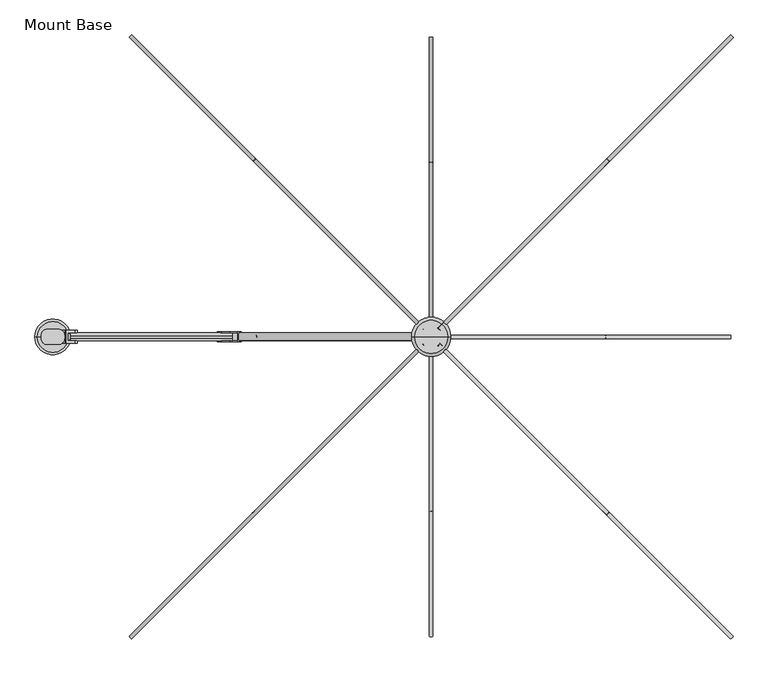
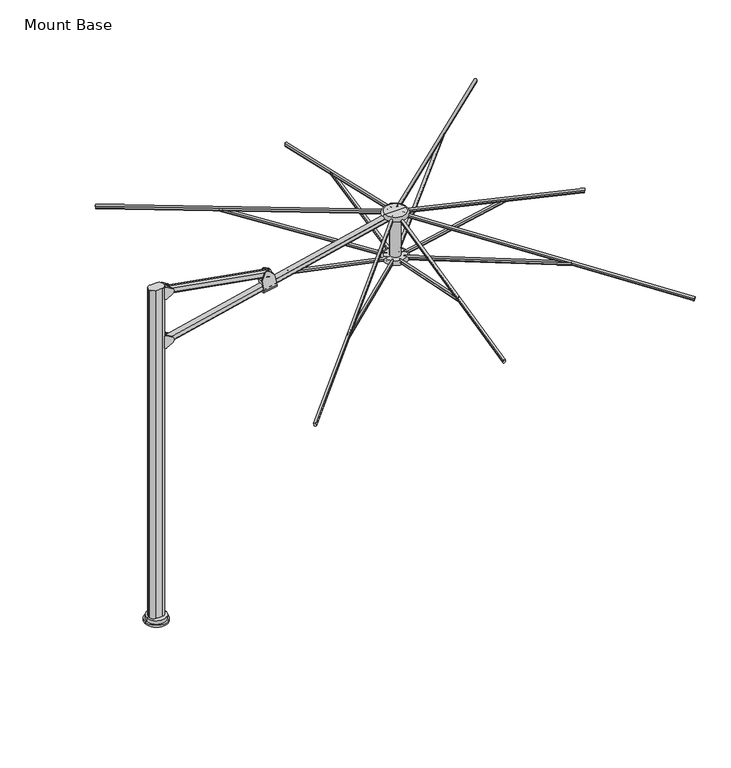
"""IFC4 building model written with IfcOpenShell, lengths in millimetres: furniture geometry, Mount Base."""

import ifcopenshell
import ifcopenshell.guid

model = None  # the IFC model being written
_history = None  # IfcOwnerHistory: only IFC2X3 demands one
_inside = {}  # id of a spatial element -> (the spatial element, [elements in it])
_under = {}  # id of a project, library or spatial element -> (it, [spatial elements below it])
_declared = {}  # id of a project -> (the project, [libraries it declares])
_typed = {}  # id of a type object -> (the type object, [elements of that type])
_made_of = {}  # id of a material, layer set ... -> (it, [elements and type objects made of it])


def new_model(schema):
    """Start an empty IFC model of exactly this schema.

    Asked for "IFC4X3", IfcOpenShell would pick the latest addendum, in which some entities
    have other attributes; the version numbers below select the first issue.
    IFC2X3 requires an IfcOwnerHistory on every rooted entity: one is made here for all.
    """
    global model, _history
    if schema == "IFC4X3":
        model = ifcopenshell.file(schema_version=(4, 3, 0, 0))
    else:
        model = ifcopenshell.file(schema=schema)
    _inside.clear()
    _under.clear()
    _declared.clear()
    _typed.clear()
    _made_of.clear()
    _history = None
    if model.schema == "IFC2X3":
        org = make("IfcOrganization", Name="unknown")
        user = make(
            "IfcPersonAndOrganization",
            ThePerson=make("IfcPerson", FamilyName="unknown"),
            TheOrganization=org,
        )
        app = make(
            "IfcApplication",
            ApplicationDeveloper=org,
            Version="unknown",
            ApplicationFullName="unknown",
            ApplicationIdentifier="unknown",
        )
        _history = make(
            "IfcOwnerHistory",
            OwningUser=user,
            OwningApplication=app,
            ChangeAction="ADDED",
            CreationDate=0,
        )
    return model


def make(cls, **values):
    """One entity of the class cls with the attributes given. An attribute that is None is left unset."""
    return model.create_entity(
        cls, **{name: value for name, value in values.items() if value is not None}
    )


def rooted(cls, **values):
    """An entity with a GlobalId (a new one), such as an element, a storey or a relation."""
    return make(cls, GlobalId=ifcopenshell.guid.new(), OwnerHistory=_history, **values)


def si_unit(unit_type, name, prefix=None):
    """IfcSIUnit, for example si_unit("LENGTHUNIT", "METRE", prefix="MILLI")."""
    return make("IfcSIUnit", UnitType=unit_type, Prefix=prefix, Name=name)


def assignment(units):
    """IfcUnitAssignment: the units of a project."""
    return None if units is None else make("IfcUnitAssignment", Units=units)


def point(xyz):
    """IfcCartesianPoint."""
    return None if xyz is None else make("IfcCartesianPoint", Coordinates=xyz)


def direction(xyz):
    """IfcDirection."""
    return None if xyz is None else make("IfcDirection", DirectionRatios=xyz)


def frame(location, z_axis=None, x_axis=None):
    """IfcAxis2Placement3D, a coordinate frame: its origin and axes. An axis left out is left unset."""
    return make(
        "IfcAxis2Placement3D",
        Location=point(location),
        Axis=direction(z_axis),
        RefDirection=direction(x_axis),
    )


def frame_2d(location, x_axis=None):
    """IfcAxis2Placement2D, a coordinate frame in the plane: its origin and x axis."""
    return make(
        "IfcAxis2Placement2D", Location=point(location), RefDirection=direction(x_axis)
    )


def origin():
    """The frame at (0, 0, 0) with its axes left unset."""
    return frame((0.0, 0.0, 0.0))


def place(relative_to, where):
    """IfcLocalPlacement: puts the frame where relative to a parent placement (None: the world)."""
    return make(
        "IfcLocalPlacement", PlacementRelTo=relative_to, RelativePlacement=where
    )


def context(
    kind, dimensions, precision=None, world=None, true_north=None, identifier=None
):
    """IfcGeometricRepresentationContext, for example the 3D "Model" context."""
    return make(
        "IfcGeometricRepresentationContext",
        ContextIdentifier=identifier,
        ContextType=kind,
        CoordinateSpaceDimension=dimensions,
        Precision=precision,
        WorldCoordinateSystem=world,
        TrueNorth=true_north,
    )


def project(units=None, contexts=None):
    """IfcProject with its units and contexts."""
    return rooted(
        "IfcProject",
        Name="project",
        RepresentationContexts=contexts,
        UnitsInContext=assignment(units),
    )


def spatial(cls, under=None, at=None, **own):
    """A site, building, storey or space (cls), placed at a placement, below another one or the project."""
    s = rooted(cls, ObjectPlacement=at, **own)
    if under is not None:
        _under.setdefault(under.id(), (under, []))[1].append(s)
    return s


def polyline(points):
    """IfcPolyline through the points."""
    return make("IfcPolyline", Points=[point(p) for p in points])


def circle_curve(where, radius):
    """IfcCircle in the frame where."""
    return make("IfcCircle", Position=where, Radius=radius)


def ellipse_curve(where, semi_axis1, semi_axis2):
    """IfcEllipse in the frame where."""
    return make(
        "IfcEllipse", Position=where, SemiAxis1=semi_axis1, SemiAxis2=semi_axis2
    )


def trimmed(basis, trim1, trim2, sense, master):
    """IfcTrimmedCurve: the piece of a basis curve between two trims."""
    return make(
        "IfcTrimmedCurve",
        BasisCurve=basis,
        Trim1=trim1,
        Trim2=trim2,
        SenseAgreement=sense,
        MasterRepresentation=master,
    )


def segment(curve, same_sense, transition):
    """IfcCompositeCurveSegment."""
    return make(
        "IfcCompositeCurveSegment",
        Transition=transition,
        SameSense=same_sense,
        ParentCurve=curve,
    )


def composite_curve(segments, self_intersect=None):
    """IfcCompositeCurve: segments joined end to end."""
    return make("IfcCompositeCurve", Segments=segments, SelfIntersect=self_intersect)


def outline(outer, holes=None, kind="AREA"):
    """IfcArbitraryClosedProfileDef: a profile drawn as a closed curve; with holes, ...WithVoids."""
    if holes is None:
        return make("IfcArbitraryClosedProfileDef", ProfileType=kind, OuterCurve=outer)
    return make(
        "IfcArbitraryProfileDefWithVoids",
        ProfileType=kind,
        OuterCurve=outer,
        InnerCurves=holes,
    )


def extrude(swept, where, along, depth):
    """IfcExtrudedAreaSolid: the profile swept, set in the frame where, extruded along a direction by depth."""
    return make(
        "IfcExtrudedAreaSolid",
        SweptArea=swept,
        Position=where,
        ExtrudedDirection=direction(along),
        Depth=depth,
    )


def shape(context_of_items, identifier, shape_type, items):
    """IfcShapeRepresentation: the items that make up one representation, for example the "Body"."""
    return make(
        "IfcShapeRepresentation",
        ContextOfItems=context_of_items,
        RepresentationIdentifier=identifier,
        RepresentationType=shape_type,
        Items=items,
    )


def source(mapping_origin, context_of_items, identifier, shape_type, items):
    """IfcRepresentationMap: a shape defined once, which mapped items show again and again."""
    return make(
        "IfcRepresentationMap",
        MappingOrigin=mapping_origin,
        MappedRepresentation=shape(context_of_items, identifier, shape_type, items),
    )


def transform(
    local_origin,
    x_axis=None,
    y_axis=None,
    z_axis=None,
    scale=None,
    scale2=None,
    scale3=None,
    uniform=True,
):
    """IfcCartesianTransformationOperator3D, or its non-uniform kind. x_axis, y_axis, z_axis: its Axis1, 2, 3."""
    if uniform:
        return make(
            "IfcCartesianTransformationOperator3D",
            Axis1=direction(x_axis),
            Axis2=direction(y_axis),
            LocalOrigin=point(local_origin),
            Scale=scale,
            Axis3=direction(z_axis),
        )
    return make(
        "IfcCartesianTransformationOperator3DnonUniform",
        Axis1=direction(x_axis),
        Axis2=direction(y_axis),
        LocalOrigin=point(local_origin),
        Scale=scale,
        Axis3=direction(z_axis),
        Scale2=scale2,
        Scale3=scale3,
    )


def mapped(mapping_source, mapping_target):
    """IfcMappedItem: shows the shape of a source again, moved by a transform."""
    return make(
        "IfcMappedItem", MappingSource=mapping_source, MappingTarget=mapping_target
    )


def made_of(thing, what):
    """Note that an element or type object is made of a material, layer set ...; save() writes the relation."""
    if what is not None:
        _made_of.setdefault(what.id(), (what, []))[1].append(thing)
    return thing


def element(
    cls,
    number,
    at=None,
    inside=None,
    cuts=None,
    type_object=None,
    material=None,
    context=None,
    identifier="Body",
    shape_type=None,
    held_by="IfcProductDefinitionShape",
    body=None,
    shapes=None,
    **own,
):
    """One element of the class cls, such as IfcWall. Its Tag is "e" and its number.

    at: its placement. inside: the storey or other place that contains it. cuts: it is an
    opening in that element (IfcRelVoidsElement). A single representation is given by context,
    identifier, shape_type and body (its items); several are given by shapes. held_by: the class
    of the entity that holds the representations. save() writes the other relations.
    """
    e = rooted(cls, Tag="e%d" % number, ObjectPlacement=at, **own)
    if body is not None:
        shapes = [shape(context, identifier, shape_type, body)]
    if shapes is not None:
        e.Representation = make(held_by, Representations=shapes)
    if inside is not None:
        _inside.setdefault(inside.id(), (inside, []))[1].append(e)
    if cuts is not None:
        rooted(
            "IfcRelVoidsElement", RelatingBuildingElement=cuts, RelatedOpeningElement=e
        )
    if type_object is not None:
        _typed.setdefault(type_object.id(), (type_object, []))[1].append(e)
    return made_of(e, material)


def aggregate(whole, parts):
    """IfcRelAggregates: a whole, such as a stair, and the parts it consists of."""
    return rooted("IfcRelAggregates", RelatingObject=whole, RelatedObjects=parts)


def save(model, path):
    """Write the relations noted so far, then the file.

    IfcRelAggregates (storeys below a building ...), IfcRelContainedInSpatialStructure (elements
    in a storey), IfcRelDefinesByType, IfcRelAssociatesMaterial and IfcRelDeclares: one each for
    every whole, place, type object, material and project.
    """
    for whole, parts in _under.values():
        aggregate(whole, parts)
    for where, things in _inside.values():
        rooted(
            "IfcRelContainedInSpatialStructure",
            RelatedElements=things,
            RelatingStructure=where,
        )
    for kind, things in _typed.values():
        rooted("IfcRelDefinesByType", RelatedObjects=things, RelatingType=kind)
    for what, things in _made_of.values():
        rooted("IfcRelAssociatesMaterial", RelatedObjects=things, RelatingMaterial=what)
    for by, libraries in _declared.values():
        rooted("IfcRelDeclares", RelatingContext=by, RelatedDefinitions=libraries)
    model.write(path)


def plane_surface(at):
    """IfcPlane: the flat surface through the origin of the frame at, square to its z axis."""
    return make("IfcPlane", Position=at)


def cylinder_surface(at, radius):
    """IfcCylindricalSurface: all points at the distance radius from the z axis of the frame at."""
    return make("IfcCylindricalSurface", Position=at, Radius=radius)


def revolved_surface(curve, axis_point, axis_direction):
    """IfcSurfaceOfRevolution: the curve turned about the line through axis_point along axis_direction."""
    return make(
        "IfcSurfaceOfRevolution",
        SweptCurve=make("IfcArbitraryOpenProfileDef", ProfileType="CURVE", Curve=curve),
        AxisPosition=make("IfcAxis1Placement", Location=point(axis_point), Axis=direction(axis_direction)),
    )


def advanced_brep(points, edges, surfaces, faces):
    """IfcAdvancedBrep: a solid bounded by faces that lie on surfaces and meet in shared edges.

    An edge is (start, end): straight between two places in points (the first is 0);
    or (start, end, curve); or (start, end, curve, False) where it runs against its curve.
    A face is (place in surfaces, loops), or (place, loops, False) where it looks against
    its surface's normal. A loop lists edges by number (the first is 1), with a minus sign
    where the edge is run from its end to its start. The first loop is the outer one.
    """
    corners = [point(p) for p in points]
    vertices = [make("IfcVertexPoint", VertexGeometry=c) for c in corners]
    made = []
    for start, end, *more in edges:
        made.append(
            make(
                "IfcEdgeCurve",
                EdgeStart=vertices[start],
                EdgeEnd=vertices[end],
                EdgeGeometry=more[0] if more else make("IfcPolyline", Points=[corners[start], corners[end]]),
                SameSense=more[1] if len(more) > 1 else True,
            )
        )
    hull = []
    for where, loops, *sense in faces:
        bounds = []
        for j, loop in enumerate(loops):
            ring = [make("IfcOrientedEdge", EdgeElement=made[abs(k) - 1], Orientation=k > 0) for k in loop]
            bounds.append(
                make(
                    "IfcFaceOuterBound" if j == 0 else "IfcFaceBound",
                    Bound=make("IfcEdgeLoop", EdgeList=ring),
                    Orientation=True,
                )
            )
        hull.append(make("IfcAdvancedFace", Bounds=bounds, FaceSurface=surfaces[where], SameSense=sense[0] if sense else True))
    return make("IfcAdvancedBrep", Outer=make("IfcClosedShell", CfsFaces=hull))


def mount_base_3c670f91(model_context):
    return source(origin(), model_context, "Body", "SolidModel", [
        extrude(outline(composite_curve([segment(polyline([(-1446.5300194, -42.1299408), (-1499.8699806, -42.1299408)]), True, "CONTINUOUS"), segment(trimmed(circle_curve(frame_2d((-1499.8699806, -10.3799408)), 31.75), [point((-1499.8699806, -42.1299408))], [point((-1531.6199806, -10.3799408))], False, "CARTESIAN"), True, "CONTINUOUS"), segment(polyline([(-1531.6199806, -10.3799408), (-1531.6199806, 2.3200592)]), True, "CONTINUOUS"), segment(trimmed(circle_curve(frame_2d((-1499.8699806, 2.3200592)), 31.75), [point((-1531.6199806, 2.3200592))], [point((-1499.8699806, 34.0700592))], False, "CARTESIAN"), True, "CONTINUOUS"), segment(polyline([(-1499.8699806, 34.0700592), (-1446.5300194, 34.0700592)]), True, "CONTINUOUS"), segment(trimmed(circle_curve(frame_2d((-1446.5300194, 2.3200592)), 31.75), [point((-1446.5300194, 34.0700592))], [point((-1414.7800194, 2.3200592))], False, "CARTESIAN"), True, "CONTINUOUS"), segment(polyline([(-1414.7800194, 2.3200592), (-1414.7800194, -10.3799408)]), True, "CONTINUOUS"), segment(trimmed(circle_curve(frame_2d((-1446.5300194, -10.3799408)), 31.75), [point((-1414.7800194, -10.3799408))], [point((-1446.5300194, -42.1299408))], False, "CARTESIAN"), True, "CONTINUOUS")], self_intersect=False)), frame((0.0, 0.0, 25.4), z_axis=(0.0, 0.0, 1.0), x_axis=(1.0, 0.0, 0.0)), (0.0, 0.0, 1.0), 2743.2),
        advanced_brep(
        [(-1562.1, -4.0299408, 15.8750008), (-1384.3, -4.0299408, 15.8750008), (-1384.3, -4.0299408, 0.0), (-1562.1, -4.0299408, 0.0), (-1549.4, -4.0299408, 15.8750008), (-1397.0, -4.0299408, 15.8750008), (-1549.4, -4.0299408, 43.8150008), (-1397.0, -4.0299408, 43.8150008), (-1473.2, -4.0299408, 43.8150008), (-1473.2, -4.0299408, 0.0)],
        [
            (0, 1, circle_curve(frame((-1473.2, -4.0299408, 15.8750008), z_axis=(0.0, 0.0, -1.0), x_axis=(1.0, 0.0, 0.0)), 88.9)),
            (1, 2),
            (2, 3, circle_curve(frame((-1473.2, -4.0299408, 0.0), z_axis=(0.0, 0.0, 1.0), x_axis=(1.0, 0.0, 0.0)), 88.9)),
            (3, 0),
            (1, 0, circle_curve(frame((-1473.2, -4.0299408, 15.8750008), z_axis=(0.0, 0.0, -1.0), x_axis=(1.0, 0.0, 0.0)), 88.9)),
            (3, 2, circle_curve(frame((-1473.2, -4.0299408, 0.0), z_axis=(0.0, 0.0, 1.0), x_axis=(1.0, 0.0, 0.0)), 88.9)),
            (4, 5, circle_curve(frame((-1473.2, -4.0299408, 15.8750008), z_axis=(0.0, 0.0, -1.0), x_axis=(1.0, 0.0, 0.0)), 76.2)),
            (5, 1),
            (0, 4),
            (5, 4, circle_curve(frame((-1473.2, -4.0299408, 15.8750008), z_axis=(0.0, 0.0, -1.0), x_axis=(1.0, 0.0, 0.0)), 76.2)),
            (6, 7, circle_curve(frame((-1473.2, -4.0299408, 43.8150008), z_axis=(0.0, 0.0, -1.0), x_axis=(1.0, 0.0, 0.0)), 76.2)),
            (7, 5),
            (4, 6),
            (7, 6, circle_curve(frame((-1473.2, -4.0299408, 43.8150008), z_axis=(0.0, 0.0, -1.0), x_axis=(1.0, 0.0, 0.0)), 76.2)),
            (8, 7),
            (6, 8),
            (2, 9),
            (9, 3),
        ],
        [
            cylinder_surface(frame((-1473.2, -4.0299408, 161.9250008), z_axis=(0.0, 0.0, 1.0), x_axis=(1.0, 0.0, 0.0)), 88.9),
            plane_surface(frame((-1473.2, -4.0299408, 15.8750008), z_axis=(0.0, 0.0, 1.0), x_axis=(1.0, 0.0, 0.0))),
            cylinder_surface(frame((-1473.2, -4.0299408, 161.9250008), z_axis=(0.0, 0.0, 1.0), x_axis=(1.0, 0.0, 0.0)), 76.2),
            plane_surface(frame((-1473.2, -4.0299408, 43.8150008), z_axis=(0.0, 0.0, 1.0), x_axis=(1.0, 0.0, 0.0))),
            plane_surface(frame((-1473.2, -4.0299408, 0.0), z_axis=(0.0, 0.0, -1.0), x_axis=(1.0, 0.0, 0.0))),
        ],
        [
            (0, [[1, 2, 3, 4]]),
            (0, [[5, -4, 6, -2]]),
            (1, [[7, 8, -1, 9]]),
            (1, [[10, -9, -5, -8]]),
            (2, [[11, 12, -7, 13]]),
            (2, [[14, -13, -10, -12]]),
            (3, [[15, -11, 16]]),
            (3, [[-16, -14, -15]]),
            (4, [[-3, 17, 18]]),
            (4, [[-6, -18, -17]]),
        ],
    ),
        advanced_brep(
        [(-638.8317232, -28.8584398, 2452.539431), (-539.2550393, -28.8584398, 2472.7210111), (-557.1147391, -28.8584398, 2562.8261396), (-594.9132103, -28.8584398, 2602.8681925), (-637.1082851, -28.8584398, 2594.5048149), (-656.7758688, -28.8584398, 2543.0725626), (-556.9273215, -23.0799408, 2561.8805867), (-656.5036375, -23.0799408, 2541.6990811), (-656.7758688, -23.0799408, 2543.0725626), (-637.1082851, -23.0799408, 2594.5048149), (-594.9132103, -23.0799408, 2602.8681925), (-557.1147391, -23.0799408, 2562.8261396), (-556.9273215, 15.0200592, 2561.8805867), (-656.5036375, 15.0200592, 2541.6990811), (-557.1147391, 15.0200592, 2562.8261396), (-594.9132103, 15.0200592, 2602.8681925), (-637.1082851, 15.0200592, 2594.5048149), (-656.7758688, 15.0200592, 2543.0725626), (-539.2550393, 20.7985582, 2472.7210111), (-638.8317232, 20.7985582, 2452.539431), (-656.7758688, 20.7985582, 2543.0725626), (-637.1082851, 20.7985582, 2594.5048149), (-594.9132103, 20.7985582, 2602.8681925), (-557.1147391, 20.7985582, 2562.8261396)],
        [
            (0, 1),
            (1, 2),
            (2, 3),
            (3, 4, circle_curve(frame((-613.3837241, -28.8584398, 2585.4325933), z_axis=(0.0, -1.0, 0.0), x_axis=(1.0, 0.0, 0.0)), 25.4)),
            (4, 5),
            (5, 0),
            (6, 7),
            (7, 8),
            (8, 9),
            (9, 10, circle_curve(frame((-613.3837241, -23.0799408, 2585.4325933), z_axis=(0.0, 1.0, 0.0), x_axis=(1.0, 0.0, 0.0)), 25.4)),
            (10, 11),
            (11, 6),
            (6, 12),
            (12, 13),
            (13, 7),
            (12, 14),
            (14, 15),
            (15, 16, circle_curve(frame((-613.3837241, 15.0200592, 2585.4325933), z_axis=(0.0, -1.0, 0.0), x_axis=(1.0, 0.0, 0.0)), 25.4)),
            (16, 17),
            (17, 13),
            (18, 19),
            (19, 20),
            (20, 21),
            (21, 22, circle_curve(frame((-613.3837241, 20.7985582, 2585.4325933), z_axis=(0.0, 1.0, 0.0), x_axis=(1.0, 0.0, 0.0)), 25.4)),
            (22, 23),
            (23, 18),
            (8, 5),
            (4, 9),
            (20, 17),
            (16, 21),
            (3, 10),
            (15, 22),
            (2, 11),
            (14, 23),
            (1, 18, ellipse_curve(frame((-539.2550393, -4.0299408, 2472.7210111), z_axis=(0.9809169623175261, 0.0, 0.19442714069223216), x_axis=(0.19442714069222775, -2.2532502934053907e-12, -0.980916962317527)), 24.8287277, 24.828499)),
            (19, 0, ellipse_curve(frame((-638.8317232, -4.0299408, 2452.539431), z_axis=(-0.9809177651054216, 0.0, -0.19442309045117312), x_axis=(0.1944230904512047, -2.251037628429089e-12, -0.9809177651054153)), 24.8287281, 24.828499)),
        ],
        [
            plane_surface(frame((-656.823572, -28.8584398, 2448.8929555), z_axis=(0.0, -1.0000000000000002, 0.0), x_axis=(0.9800735011186607, 0.0, 0.19863517413844614))),
            plane_surface(frame((-688.7528402, -23.0799408, 2606.4331791), z_axis=(0.0, 1.0000000000000002, 0.0), x_axis=(0.9800735011186607, 0.0, 0.19863517413844614))),
            plane_surface(frame((-674.8781733, -23.0799408, 2537.975045), z_axis=(-0.19863517413844614, 0.0, 0.9800735011186607), x_axis=(0.9800735011186607, 0.0, 0.19863517413844614))),
            plane_surface(frame((-674.8781733, 15.0200592, 2537.975045), z_axis=(0.0, -1.0000000000000002, 0.0), x_axis=(0.9800735011186607, 0.0, 0.19863517413844614))),
            plane_surface(frame((-688.8424073, 20.7985582, 2606.8751066), z_axis=(0.0, 1.0000000000000002, 0.0), x_axis=(0.9800735011186607, 0.0, 0.19863517413844614))),
            plane_surface(frame((-656.7758688, -42.1299408, 2543.0725626), z_axis=(-0.934037835454624, 0.0, 0.35717407792173367), x_axis=(0.0, 1.0, 0.0))),
            cylinder_surface(frame((-613.3837241, 34.0700592, 2585.4325933), z_axis=(0.0, 1.0, 0.0), x_axis=(1.0, 0.0, 0.0)), 25.4),
            plane_surface(frame((-594.9132103, -42.1299408, 2602.8681925), z_axis=(0.7271855840513565, 0.0, 0.6864409124956697), x_axis=(0.0, 1.0, 0.0))),
            plane_surface(frame((-557.1147391, -42.1299408, 2562.8261396), z_axis=(0.9809169623175261, 0.0, 0.19442714069223216), x_axis=(0.0, 1.0, 0.0))),
            plane_surface(frame((-615.4340122, -42.1299408, 2334.4915679), z_axis=(-0.9809177651054216, 0.0, -0.19442309045117312), x_axis=(0.0, 1.0, 0.0))),
            cylinder_surface(frame((-523.693599, -4.0299408, 2475.8749066), z_axis=(-0.9800735011186607, 0.0, -0.19863517413844567), x_axis=(0.19863517413844567, 0.0, -0.9800735011186607)), 24.828499),
        ],
        [
            (0, [[1, 2, 3, 4, 5, 6]]),
            (1, [[7, 8, 9, 10, 11, 12]]),
            (2, [[-7, 13, 14, 15]]),
            (3, [[-14, 16, 17, 18, 19, 20]]),
            (4, [[21, 22, 23, 24, 25, 26]]),
            (5, [[27, -5, 28, -9]]),
            (5, [[29, -19, 30, -23]]),
            (6, [[-28, -4, 31, -10]]),
            (6, [[-30, -18, 32, -24]]),
            (7, [[-31, -3, 33, -11]]),
            (7, [[-32, -17, 34, -25]]),
            (8, [[-33, -2, 35, -26, -34, -16, -13, -12]]),
            (9, [[-27, -8, -15, -20, -29, -22, 36, -6]]),
            (10, [[-1, -36, -21, -35]]),
        ],
    ),
        advanced_brep(
        [(-1398.5468048, -23.0799408, 2670.4960641), (-1398.5468048, -23.0799408, 2756.7219863), (-1365.0592091, -23.0799408, 2735.6843884), (-1365.0592091, -23.0799408, 2691.533662), (-1398.5468048, 15.0200592, 2670.4960641), (-1398.5468048, 15.0200592, 2756.7219863), (-1365.0592091, 15.0200592, 2691.533662), (-1365.0592091, 15.0200592, 2735.6843884), (-1412.4977231, 28.7360598, 2764.4089767), (-1409.330907, 28.7360598, 2763.4967816), (-1365.0592091, 28.7360598, 2735.6843884), (-1365.0592091, 28.7360598, 2691.533662), (-1409.330907, 28.7360598, 2663.7212688), (-1412.4977231, 28.7360598, 2662.8090736), (-1428.8306637, 28.7360598, 2662.8090736), (-1428.8306637, 28.7360598, 2764.4089767), (-1428.8306637, 28.0356115, 2662.8090736), (-1428.8306637, -36.0954368, 2662.8090736), (-1428.8306637, -36.0954368, 2764.4089767), (-1428.8306637, 28.0356115, 2764.4089767), (-1409.330907, -36.7959413, 2763.4967816), (-1412.4977231, -36.7959413, 2764.4089767), (-1428.8306637, -36.7959413, 2764.4089767), (-1428.8306637, -36.7959413, 2662.8090736), (-1412.4977231, -36.7959413, 2662.8090736), (-1409.330907, -36.7959413, 2663.7212688), (-1365.0592091, -36.7959413, 2691.533662), (-1365.0592091, -36.7959413, 2735.6843884)],
        [
            (0, 1),
            (1, 2),
            (2, 3, circle_curve(frame((-1378.9274073, -23.0799408, 2713.6090252), z_axis=(0.0, 1.0, 0.0), x_axis=(1.0, 0.0, 0.0)), 26.0700706)),
            (3, 0),
            (0, 4),
            (4, 5),
            (5, 1),
            (4, 6),
            (6, 7, circle_curve(frame((-1378.9274073, 15.0200592, 2713.6090252), z_axis=(0.0, -1.0, 0.0), x_axis=(1.0, 0.0, 0.0)), 26.0700706)),
            (7, 5),
            (8, 9, circle_curve(frame((-1412.4977231, 28.7360598, 2758.4558517), z_axis=(0.0, 1.0, 0.0), x_axis=(1.0, 0.0, 0.0)), 5.953125)),
            (9, 10),
            (10, 11, circle_curve(frame((-1378.9274073, 28.7360598, 2713.6090252), z_axis=(0.0, 1.0, 0.0), x_axis=(1.0, 0.0, 0.0)), 26.0700706)),
            (11, 12),
            (12, 13, circle_curve(frame((-1412.4977231, 28.7360598, 2668.7621986), z_axis=(0.0, 1.0, 0.0), x_axis=(1.0, 0.0, 0.0)), 5.953125)),
            (13, 14),
            (14, 15),
            (15, 8),
            (16, 17, circle_curve(frame((-1456.6790796, -4.0299127, 2662.8090736), z_axis=(0.0, 0.0, -1.0), x_axis=(1.0, 0.0, 0.0)), 42.4703674)),
            (17, 18),
            (18, 19, circle_curve(frame((-1456.6790796, -4.0299127, 2764.4089767), z_axis=(0.0, 0.0, 1.0), x_axis=(1.0, 0.0, 0.0)), 42.4703674)),
            (19, 16),
            (20, 21, circle_curve(frame((-1412.4977231, -36.7959413, 2758.4558517), z_axis=(0.0, -1.0, 0.0), x_axis=(1.0, 0.0, 0.0)), 5.953125)),
            (21, 22),
            (22, 23),
            (23, 24),
            (24, 25, circle_curve(frame((-1412.4977231, -36.7959413, 2668.7621986), z_axis=(0.0, -1.0, 0.0), x_axis=(1.0, 0.0, 0.0)), 5.953125)),
            (25, 26),
            (26, 27, circle_curve(frame((-1378.9274073, -36.7959413, 2713.6090252), z_axis=(0.0, -1.0, 0.0), x_axis=(1.0, 0.0, 0.0)), 26.0700706)),
            (27, 20),
            (8, 21),
            (20, 9),
            (27, 2),
            (7, 10),
            (26, 3),
            (6, 11),
            (25, 12),
            (24, 13),
            (23, 17),
            (16, 14),
            (22, 18),
            (19, 15),
        ],
        [
            plane_surface(frame((-1352.2714317, -23.0799408, 2768.6), z_axis=(0.0, 1.0, 0.0), x_axis=(0.0, 0.0, -1.0))),
            plane_surface(frame((-1398.5468048, -23.0799408, 2768.6), z_axis=(1.0, 0.0, 0.0), x_axis=(0.0, 0.0, -1.0))),
            plane_surface(frame((-1398.5468048, 15.0200592, 2768.6), z_axis=(0.0, -1.0, 0.0), x_axis=(0.0, 0.0, -1.0))),
            plane_surface(frame((-1352.2714317, 28.7360598, 2768.6), z_axis=(0.0, 1.0, 0.0), x_axis=(0.0, 0.0, -1.0))),
            revolved_surface(polyline([(-1414.2087122, -4.0299127, 2662.8090736), (-1414.2087122, -4.0299127, 2764.4089767)]), (-1456.6790796, -4.0299127, 2235.2), (0.0, 0.0, -1.0)),
            plane_surface(frame((-1429.6583566, -36.7959413, 2768.6), z_axis=(0.0, -1.0, 0.0), x_axis=(0.0, 0.0, -1.0))),
            cylinder_surface(frame((-1412.4977231, 72.1700592, 2758.4558517), z_axis=(0.0, 1.0, 0.0), x_axis=(1.0, 0.0, 0.0)), 5.953125),
            plane_surface(frame((-1409.330907, -80.2299408, 2763.4967816), z_axis=(0.5319585969039498, 0.0, 0.8467703650813372), x_axis=(0.0, 1.0, 0.0))),
            cylinder_surface(frame((-1378.9274073, 72.1700592, 2713.6090252), z_axis=(0.0, 1.0, 0.0), x_axis=(1.0, 0.0, 0.0)), 26.0700706),
            plane_surface(frame((-1365.0592091, -80.2299408, 2691.533662), z_axis=(0.5319585969039639, 0.0, -0.8467703650813284), x_axis=(0.0, 1.0, 0.0))),
            cylinder_surface(frame((-1412.4977231, 72.1700592, 2668.7621986), z_axis=(0.0, 1.0, 0.0), x_axis=(1.0, 0.0, 0.0)), 5.953125),
            plane_surface(frame((-1412.4977231, -80.2299408, 2662.8090736), z_axis=(0.0, 0.0, -1.0), x_axis=(0.0, 1.0, 0.0))),
            plane_surface(frame((-1428.8306637, -80.2299408, 2662.8090736), z_axis=(-1.0, 0.0, 0.0), x_axis=(0.0, 1.0, 0.0))),
            plane_surface(frame((-1428.8306637, -80.2299408, 2764.4089767), z_axis=(0.0, 0.0, 1.0), x_axis=(0.0, 1.0, 0.0))),
        ],
        [
            (0, [[1, 2, 3, 4]]),
            (1, [[-1, 5, 6, 7]]),
            (2, [[-6, 8, 9, 10]]),
            (3, [[11, 12, 13, 14, 15, 16, 17, 18]]),
            (4, [[19, 20, 21, 22]]),
            (5, [[23, 24, 25, 26, 27, 28, 29, 30]]),
            (6, [[31, -23, 32, -11]]),
            (7, [[-32, -30, 33, -2, -7, -10, 34, -12]]),
            (8, [[-33, -29, 35, -3]]),
            (8, [[-34, -9, 36, -13]]),
            (9, [[-36, -8, -5, -4, -35, -28, 37, -14]]),
            (10, [[-37, -27, 38, -15]]),
            (11, [[-38, -26, 39, -19, 40, -16]]),
            (12, [[-39, -25, 41, -20]]),
            (12, [[-40, -22, 42, -17]]),
            (13, [[-31, -18, -42, -21, -41, -24]]),
        ],
    ),
        advanced_brep(
        [(-1398.5468048, -23.0799408, 2265.4099374), (-1398.5468048, -23.0799408, 2351.6358596), (-1364.8153055, -23.0799408, 2330.4450365), (-1364.8153055, -23.0799408, 2286.6007605), (-1398.5468048, 15.0200592, 2265.4099374), (-1398.5468048, 15.0200592, 2351.6358596), (-1364.8153055, 15.0200592, 2286.6007605), (-1364.8153055, 15.0200592, 2330.4450365), (-1412.4977231, 28.7360598, 2359.32285), (-1409.330907, 28.7360598, 2358.4106549), (-1364.8153055, 28.7360598, 2330.4450365), (-1364.8153055, 28.7360598, 2286.6007605), (-1409.330907, 28.7360598, 2258.6351421), (-1412.4977231, 28.7360598, 2257.7229469), (-1428.4344669, 28.7360598, 2257.7229469), (-1428.4344669, 28.7360598, 2359.32285), (-1428.4344669, 27.6871799, 2257.7229469), (-1428.4344669, -35.7470053, 2257.7229469), (-1428.4344669, -35.7470053, 2359.32285), (-1428.4344669, 27.6871799, 2359.32285), (-1409.330907, -36.7959413, 2358.4106549), (-1412.4977231, -36.7959413, 2359.32285), (-1428.4344669, -36.7959413, 2359.32285), (-1428.4344669, -36.7959413, 2257.7229469), (-1412.4977231, -36.7959413, 2257.7229469), (-1409.330907, -36.7959413, 2258.6351421), (-1364.8153055, -36.7959413, 2286.6007605), (-1364.8153055, -36.7959413, 2330.4450365)],
        [
            (0, 1),
            (1, 2),
            (2, 3, circle_curve(frame((-1378.5872445, -23.0799408, 2308.5228985), z_axis=(0.0, 1.0, 0.0), x_axis=(1.0, 0.0, 0.0)), 25.8891181)),
            (3, 0),
            (0, 4),
            (4, 5),
            (5, 1),
            (4, 6),
            (6, 7, circle_curve(frame((-1378.5872445, 15.0200592, 2308.5228985), z_axis=(0.0, -1.0, 0.0), x_axis=(1.0, 0.0, 0.0)), 25.8891181)),
            (7, 5),
            (8, 9, circle_curve(frame((-1412.4977231, 28.7360598, 2353.369725), z_axis=(0.0, 1.0, 0.0), x_axis=(1.0, 0.0, 0.0)), 5.953125)),
            (9, 10),
            (10, 11, circle_curve(frame((-1378.5872445, 28.7360598, 2308.5228985), z_axis=(0.0, 1.0, 0.0), x_axis=(1.0, 0.0, 0.0)), 25.8891181)),
            (11, 12),
            (12, 13, circle_curve(frame((-1412.4977231, 28.7360598, 2263.6760719), z_axis=(0.0, 1.0, 0.0), x_axis=(1.0, 0.0, 0.0)), 5.953125)),
            (13, 14),
            (14, 15),
            (15, 8),
            (16, 17, circle_curve(frame((-1456.6790796, -4.0299127, 2257.7229469), z_axis=(0.0, 0.0, -1.0), x_axis=(1.0, 0.0, 0.0)), 42.4703674)),
            (17, 18),
            (18, 19, circle_curve(frame((-1456.6790796, -4.0299127, 2359.32285), z_axis=(0.0, 0.0, 1.0), x_axis=(1.0, 0.0, 0.0)), 42.4703674)),
            (19, 16),
            (20, 21, circle_curve(frame((-1412.4977231, -36.7959413, 2353.369725), z_axis=(0.0, -1.0, 0.0), x_axis=(1.0, 0.0, 0.0)), 5.953125)),
            (21, 22),
            (22, 23),
            (23, 24),
            (24, 25, circle_curve(frame((-1412.4977231, -36.7959413, 2263.6760719), z_axis=(0.0, -1.0, 0.0), x_axis=(1.0, 0.0, 0.0)), 5.953125)),
            (25, 26),
            (26, 27, circle_curve(frame((-1378.5872445, -36.7959413, 2308.5228985), z_axis=(0.0, -1.0, 0.0), x_axis=(1.0, 0.0, 0.0)), 25.8891181)),
            (27, 20),
            (8, 21),
            (20, 9),
            (27, 2),
            (7, 10),
            (26, 3),
            (6, 11),
            (25, 12),
            (24, 13),
            (23, 17),
            (16, 14),
            (22, 18),
            (19, 15),
        ],
        [
            plane_surface(frame((-1352.2714317, -23.0799408, 2768.6), z_axis=(0.0, 1.0, 0.0), x_axis=(0.0, 0.0, -1.0))),
            plane_surface(frame((-1398.5468048, -23.0799408, 2768.6), z_axis=(1.0, 0.0, 0.0), x_axis=(0.0, 0.0, -1.0))),
            plane_surface(frame((-1398.5468048, 15.0200592, 2768.6), z_axis=(0.0, -1.0, 0.0), x_axis=(0.0, 0.0, -1.0))),
            plane_surface(frame((-1352.2714317, 28.7360598, 2768.6), z_axis=(0.0, 1.0, 0.0), x_axis=(0.0, 0.0, -1.0))),
            revolved_surface(polyline([(-1414.2087122, -4.0299127, 2257.7229469), (-1414.2087122, -4.0299127, 2359.32285)]), (-1456.6790796, -4.0299127, 2235.2), (0.0, 0.0, -1.0)),
            plane_surface(frame((-1429.6583566, -36.7959413, 2768.6), z_axis=(0.0, -1.0, 0.0), x_axis=(0.0, 0.0, -1.0))),
            cylinder_surface(frame((-1412.4977231, -4.0299408, 2353.369725), z_axis=(0.0, 1.0, 0.0), x_axis=(1.0, 0.0, 0.0)), 5.953125),
            plane_surface(frame((-1409.330907, -80.2299408, 2358.4106549), z_axis=(0.5319585969039494, 0.0, 0.8467703650813374), x_axis=(0.0, 1.0, 0.0))),
            cylinder_surface(frame((-1378.5872445, -4.0299408, 2308.5228985), z_axis=(0.0, 1.0, 0.0), x_axis=(1.0, 0.0, 0.0)), 25.8891181),
            plane_surface(frame((-1364.8153055, -80.2299408, 2286.6007605), z_axis=(0.5319585969039472, 0.0, -0.8467703650813388), x_axis=(0.0, 1.0, 0.0))),
            cylinder_surface(frame((-1412.4977231, -4.0299408, 2263.6760719), z_axis=(0.0, 1.0, 0.0), x_axis=(1.0, 0.0, 0.0)), 5.953125),
            plane_surface(frame((-1412.4977231, -80.2299408, 2257.7229469), z_axis=(0.0, 0.0, -1.0), x_axis=(0.0, 1.0, 0.0))),
            plane_surface(frame((-1428.4344669, -80.2299408, 2257.7229469), z_axis=(-1.0, 0.0, 0.0), x_axis=(0.0, 1.0, 0.0))),
            plane_surface(frame((-1428.4344669, -80.2299408, 2359.32285), z_axis=(0.0, 0.0, 1.0), x_axis=(0.0, 1.0, 0.0))),
        ],
        [
            (0, [[1, 2, 3, 4]]),
            (1, [[-1, 5, 6, 7]]),
            (2, [[-6, 8, 9, 10]]),
            (3, [[11, 12, 13, 14, 15, 16, 17, 18]]),
            (4, [[19, 20, 21, 22]]),
            (5, [[23, 24, 25, 26, 27, 28, 29, 30]]),
            (6, [[31, -23, 32, -11]]),
            (7, [[-32, -30, 33, -2, -7, -10, 34, -12]]),
            (8, [[-33, -29, 35, -3]]),
            (8, [[-34, -9, 36, -13]]),
            (9, [[-36, -8, -5, -4, -35, -28, 37, -14]]),
            (10, [[-37, -27, 38, -15]]),
            (11, [[-38, -26, 39, -19, 40, -16]]),
            (12, [[-39, -25, 41, -20]]),
            (12, [[-40, -22, 42, -17]]),
            (13, [[-31, -18, -42, -21, -41, -24]]),
        ],
    ),
        extrude(outline(composite_curve([segment(trimmed(circle_curve(frame_2d((6.35, 12.6998842)), 12.7), [point((19.05, 12.6998842))], [point((6.35, -0.0001159))], False, "CARTESIAN"), True, "CONTINUOUS"), segment(polyline([(6.35, -0.0001159), (-6.35, -0.0001159)]), True, "CONTINUOUS"), segment(trimmed(circle_curve(frame_2d((-6.35, 12.6998842)), 12.7), [point((-6.35, -0.0001159))], [point((-19.05, 12.6998842))], False, "CARTESIAN"), True, "CONTINUOUS"), segment(polyline([(-19.05, 12.6998842), (-19.05, 45.719986)]), True, "CONTINUOUS"), segment(trimmed(circle_curve(frame_2d((-6.35, 45.719986)), 12.7), [point((-19.05, 45.719986))], [point((-6.35, 58.419986))], False, "CARTESIAN"), True, "CONTINUOUS"), segment(polyline([(-6.35, 58.419986), (6.35, 58.419986)]), True, "CONTINUOUS"), segment(trimmed(circle_curve(frame_2d((6.35, 45.719986)), 12.7), [point((6.35, 58.419986))], [point((19.05, 45.719986))], False, "CARTESIAN"), True, "CONTINUOUS"), segment(polyline([(19.05, 45.719986), (19.05, 12.6998842)]), True, "CONTINUOUS")], self_intersect=False)), frame((-590.7331768, -4.0299408, 2546.711412), z_axis=(-0.9848937860603193, 0.0, 0.17315955122305554), x_axis=(0.0, -1.0, 0.0)), (0.0, 0.0, 1.0), 819.15),
        advanced_brep(
        [(324.3580228, -4.0299408, 2349.5), (488.4419772, -4.0299408, 2349.5), (406.4, -4.0299408, 2349.5), (406.4, -4.0299408, 2381.25), (488.4419772, -4.0299408, 2381.25), (324.3580228, -4.0299408, 2381.25)],
        [
            (0, 1, circle_curve(frame((406.4, -4.0299408, 2349.5), z_axis=(0.0, 0.0, -1.0), x_axis=(1.0, 0.0, 0.0)), 82.0419772)),
            (1, 2),
            (2, 0),
            (1, 0, circle_curve(frame((406.4, -4.0299408, 2349.5), z_axis=(0.0, 0.0, -1.0), x_axis=(1.0, 0.0, 0.0)), 82.0419772)),
            (3, 4),
            (4, 5, circle_curve(frame((406.4, -4.0299408, 2381.25), z_axis=(0.0, 0.0, 1.0), x_axis=(1.0, 0.0, 0.0)), 82.0419772)),
            (5, 3),
            (5, 4, circle_curve(frame((406.4, -4.0299408, 2381.25), z_axis=(0.0, 0.0, 1.0), x_axis=(1.0, 0.0, 0.0)), 82.0419772)),
            (4, 1, circle_curve(frame((488.4419772, -4.0299408, 2365.375), z_axis=(0.0, 1.0, 0.0), x_axis=(1.0, 0.0, 0.0)), 15.875)),
            (0, 5, circle_curve(frame((324.3580228, -4.0299408, 2365.375), z_axis=(0.0, 1.0, 0.0), x_axis=(-1.0, 0.0, 0.0)), 15.875)),
        ],
        [
            plane_surface(frame((406.4, -4.0299408, 2349.5), z_axis=(0.0, 0.0, -1.0), x_axis=(1.0, 0.0, 0.0))),
            plane_surface(frame((406.4, -4.0299408, 2381.25), z_axis=(0.0, 0.0, 1.0), x_axis=(1.0, 0.0, 0.0))),
            revolved_surface(trimmed(ellipse_curve(frame((488.4419772, -4.0299408, 2365.375), z_axis=(0.0, -1.0, 0.0), x_axis=(1.0, 0.0, 0.0)), 15.875, 15.875), [point((488.4419772, -4.0299408, 2349.5))], [point((488.4419772, -4.0299408, 2381.25))], True, "CARTESIAN"), (406.4, -4.0299408, 2605.8874532), (0.0, 0.0, 1.0)),
        ],
        [
            (0, [[1, 2, 3]]),
            (0, [[4, -3, -2]]),
            (1, [[5, 6, 7]]),
            (1, [[-7, 8, -5]]),
            (2, [[-6, 9, -1, 10]]),
            (2, [[-8, -10, -4, -9]]),
        ],
    ),
        extrude(outline(composite_curve([segment(polyline([(12.9834408, -8.4804821), (12.9834408, -22.8946348)]), True, "CONTINUOUS"), segment(trimmed(circle_curve(frame_2d((4.0299408, -22.8946348)), 8.9535), [point((12.9834408, -22.8946348))], [point((-4.9235592, -22.8946348))], False, "CARTESIAN"), True, "CONTINUOUS"), segment(polyline([(-4.9235592, -22.8946348), (-4.9235592, -8.4804821)]), True, "CONTINUOUS"), segment(trimmed(circle_curve(frame_2d((4.0299408, -8.4804821)), 8.9535), [point((-4.9235592, -8.4804821))], [point((12.9834408, -8.4804821))], False, "CARTESIAN"), True, "CONTINUOUS")], self_intersect=False)), frame((410.4299408, -74.166692, 2351.0470755), z_axis=(0.0, -0.9792063685546624, 0.20286667489262716), x_axis=(-1.0, 0.0, 0.0)), (0.0, 0.0, 1.0), 820.9250167),
        extrude(outline(composite_curve([segment(polyline([(12.9834408, -8.4804821), (12.9834408, -22.8946348)]), True, "CONTINUOUS"), segment(trimmed(circle_curve(frame_2d((4.0299408, -22.8946348)), 8.9535), [point((12.9834408, -22.8946348))], [point((-4.9235592, -22.8946348))], False, "CARTESIAN"), True, "CONTINUOUS"), segment(polyline([(-4.9235592, -22.8946348), (-4.9235592, -8.4804821)]), True, "CONTINUOUS"), segment(trimmed(circle_curve(frame_2d((4.0299408, -8.4804821)), 8.9535), [point((-4.9235592, -8.4804821))], [point((12.9834408, -8.4804821))], False, "CARTESIAN"), True, "CONTINUOUS")], self_intersect=False)), frame((336.2632487, -8.0598816, 2351.0470755), z_axis=(-0.9792063685546624, 0.0, 0.20286667489262716), x_axis=(0.0, 1.0, 0.0)), (0.0, 0.0, 1.0), 820.9250167),
        extrude(outline(composite_curve([segment(polyline([(12.9834408, -8.4804821), (12.9834408, -22.8946348)]), True, "CONTINUOUS"), segment(trimmed(circle_curve(frame_2d((4.0299408, -22.8946348)), 8.9535), [point((12.9834408, -22.8946348))], [point((-4.9235592, -22.8946348))], False, "CARTESIAN"), True, "CONTINUOUS"), segment(polyline([(-4.9235592, -22.8946348), (-4.9235592, -8.4804821)]), True, "CONTINUOUS"), segment(trimmed(circle_curve(frame_2d((4.0299408, -8.4804821)), 8.9535), [point((-4.9235592, -8.4804821))], [point((12.9834408, -8.4804821))], False, "CARTESIAN"), True, "CONTINUOUS")], self_intersect=False)), frame((402.3700592, 66.1068105, 2351.0470755), z_axis=(0.0, 0.9792063685546624, 0.20286667489262716), x_axis=(1.0, 0.0, 0.0)), (0.0, 0.0, 1.0), 820.9250167),
        extrude(outline(composite_curve([segment(trimmed(circle_curve(frame_2d((4.0299408, 7.3267917)), 8.9535), [point((12.9834408, 7.3267917))], [point((-4.9235592, 7.3267917))], False, "CARTESIAN"), True, "CONTINUOUS"), segment(polyline([(-4.9235592, 7.3267917), (-4.9235592, 21.7411303)]), True, "CONTINUOUS"), segment(trimmed(circle_curve(frame_2d((4.0299408, 21.7411303)), 8.9535), [point((-4.9235592, 21.7411303))], [point((12.9834408, 21.7411303))], False, "CARTESIAN"), True, "CONTINUOUS"), segment(polyline([(12.9834408, 21.7411303), (12.9834408, 7.3267917)]), True, "CONTINUOUS")], self_intersect=False)), frame((410.4299408, -1486.3407703, 2377.5563301), z_axis=(0.0, 0.9744661240319158, 0.22453456997579438), x_axis=(-1.0, 0.0, 0.0)), (0.0, 0.0, 1.0), 1466.85),
        extrude(outline(composite_curve([segment(polyline([(-16.0360582, 6.8616994), (-16.0360582, 37.5785601)]), True, "CONTINUOUS"), segment(trimmed(circle_curve(frame_2d((-9.6860582, 37.5785601)), 6.35), [point((-16.0360582, 37.5785601))], [point((-15.6590238, 39.7340606))], False, "CARTESIAN"), True, "CONTINUOUS"), segment(trimmed(circle_curve(frame_2d((4.0299408, 32.6287842)), 20.9318007), [point((-15.6590238, 39.7340606))], [point((23.7189054, 39.7340606))], False, "CARTESIAN"), True, "CONTINUOUS"), segment(trimmed(circle_curve(frame_2d((17.7459398, 37.5785601)), 6.35), [point((23.7189054, 39.7340606))], [point((24.0959398, 37.5785601))], False, "CARTESIAN"), True, "CONTINUOUS"), segment(polyline([(24.0959398, 37.5785601), (24.0959398, 6.8616994)]), True, "CONTINUOUS"), segment(trimmed(circle_curve(frame_2d((17.7459398, 6.8616994)), 6.35), [point((24.0959398, 6.8616994))], [point((23.4899127, 4.1544359))], False, "CARTESIAN"), True, "CONTINUOUS"), segment(trimmed(circle_curve(frame_2d((4.0299408, 13.3263579)), 21.5131276), [point((23.4899127, 4.1544359))], [point((-15.4300311, 4.1544359))], False, "CARTESIAN"), True, "CONTINUOUS"), segment(trimmed(circle_curve(frame_2d((-9.6860582, 6.8616994)), 6.35), [point((-15.4300311, 4.1544359))], [point((-16.0360582, 6.8616994))], False, "CARTESIAN"), True, "CONTINUOUS")], self_intersect=False)), frame((-1387.3549734, -8.0598816, 2283.8502039), z_axis=(0.974270807987236, 0.0, 0.22538055085543296), x_axis=(0.0, 1.0, 0.0)), (0.0, 0.0, 1.0), 1794.0067537),
        extrude(outline(composite_curve([segment(trimmed(circle_curve(frame_2d((4.0299408, 7.3267917)), 8.9535), [point((12.9834408, 7.3267917))], [point((-4.9235592, 7.3267917))], False, "CARTESIAN"), True, "CONTINUOUS"), segment(polyline([(-4.9235592, 7.3267917), (-4.9235592, 21.7411303)]), True, "CONTINUOUS"), segment(trimmed(circle_curve(frame_2d((4.0299408, 21.7411303)), 8.9535), [point((-4.9235592, 21.7411303))], [point((12.9834408, 21.7411303))], False, "CARTESIAN"), True, "CONTINUOUS"), segment(polyline([(12.9834408, 21.7411303), (12.9834408, 7.3267917)]), True, "CONTINUOUS")], self_intersect=False)), frame((402.3700592, 1478.2808888, 2377.5563301), z_axis=(0.0, -0.9744661240319158, 0.22453456997579438), x_axis=(1.0, 0.0, 0.0)), (0.0, 0.0, 1.0), 1466.85),
        extrude(outline(composite_curve([segment(trimmed(circle_curve(frame_2d((4.0299408, 7.3267917)), 8.9535), [point((12.9834408, 7.3267917))], [point((-4.9235592, 7.3267917))], False, "CARTESIAN"), True, "CONTINUOUS"), segment(polyline([(-4.9235592, 7.3267917), (-4.9235592, 21.7411303)]), True, "CONTINUOUS"), segment(trimmed(circle_curve(frame_2d((4.0299408, 21.7411303)), 8.9535), [point((-4.9235592, 21.7411303))], [point((12.9834408, 21.7411303))], False, "CARTESIAN"), True, "CONTINUOUS"), segment(polyline([(12.9834408, 21.7411303), (12.9834408, 7.3267917)]), True, "CONTINUOUS")], self_intersect=False)), frame((1888.7108295, 0.0, 2377.5563301), z_axis=(-0.9744661240319158, 0.0, 0.22453456997579438), x_axis=(0.0, -1.0, 0.0)), (0.0, 0.0, 1.0), 1466.85),
        extrude(outline(composite_curve([segment(polyline([(12.9834408, -8.4804821), (12.9834408, -22.8946348)]), True, "CONTINUOUS"), segment(trimmed(circle_curve(frame_2d((4.0299408, -22.8946348)), 8.9535), [point((12.9834408, -22.8946348))], [point((-4.9235592, -22.8946348))], False, "CARTESIAN"), True, "CONTINUOUS"), segment(polyline([(-4.9235592, -22.8946348), (-4.9235592, -8.4804821)]), True, "CONTINUOUS"), segment(trimmed(circle_curve(frame_2d((4.0299408, -8.4804821)), 8.9535), [point((-4.9235592, -8.4804821))], [point((12.9834408, -8.4804821))], False, "CARTESIAN"), True, "CONTINUOUS")], self_intersect=False)), frame((476.5367513, 0.0, 2351.0470755), z_axis=(0.9792063685546624, 0.0, 0.20286667489262716), x_axis=(0.0, -1.0, 0.0)), (0.0, 0.0, 1.0), 820.9250167),
        extrude(outline(composite_curve([segment(trimmed(circle_curve(frame_2d((-0.4115857, 9.2017124)), 8.947892), [point((8.536306, 9.1998746))], [point((-9.3594775, 9.2035503))], False, "CARTESIAN"), True, "CONTINUOUS"), segment(polyline([(-9.3594775, 9.2035503), (-9.3566137, 23.1461249)]), True, "CONTINUOUS"), segment(trimmed(circle_curve(frame_2d((-0.4087216, 23.1461249)), 8.9478921), [point((-9.3566137, 23.1461249))], [point((8.5391702, 23.1439195))], False, "CARTESIAN"), True, "CONTINUOUS"), segment(polyline([(8.5391702, 23.1439195), (8.536306, 9.1998746)]), True, "CONTINUOUS")], self_intersect=False)), frame((452.4138143, -50.0601179, 2349.7856899), z_axis=(0.6999867221279648, -0.7002356419141335, 0.1403161952079987), x_axis=(0.7072324735233253, 0.7069810665032545, 0.0)), (0.0, 0.0, 1.0), 1193.8),
        extrude(outline(composite_curve([segment(trimmed(circle_curve(frame_2d((-0.4115857, 9.2017124)), 8.947892), [point((8.5363061, 9.1998746))], [point((-9.3594775, 9.2035503))], False, "CARTESIAN"), True, "CONTINUOUS"), segment(polyline([(-9.3594775, 9.2035503), (-9.3566137, 23.1461249)]), True, "CONTINUOUS"), segment(trimmed(circle_curve(frame_2d((-0.4087216, 23.1461249)), 8.9478921), [point((-9.3566137, 23.1461249))], [point((8.5391702, 23.1439195))], False, "CARTESIAN"), True, "CONTINUOUS"), segment(polyline([(8.5391702, 23.1439195), (8.5363061, 9.1998746)]), True, "CONTINUOUS")], self_intersect=False)), frame((360.3698229, -50.043755, 2349.7856899), z_axis=(-0.7002356419141418, -0.6999867221279564, 0.1403161952079987), x_axis=(0.7069810665032461, -0.7072324735233336, 0.0)), (0.0, 0.0, 1.0), 1193.8),
        extrude(outline(composite_curve([segment(trimmed(circle_curve(frame_2d((-0.4115857, 9.2017124)), 8.947892), [point((8.536306, 9.1998746))], [point((-9.3594775, 9.2035503))], False, "CARTESIAN"), True, "CONTINUOUS"), segment(polyline([(-9.3594775, 9.2035503), (-9.3566138, 23.1461249)]), True, "CONTINUOUS"), segment(trimmed(circle_curve(frame_2d((-0.4087217, 23.1461249)), 8.9478921), [point((-9.3566138, 23.1461249))], [point((8.5391702, 23.1439195))], False, "CARTESIAN"), True, "CONTINUOUS"), segment(polyline([(8.5391702, 23.1439195), (8.536306, 9.1998746)]), True, "CONTINUOUS")], self_intersect=False)), frame((360.3861857, 42.0002363, 2349.7856899), z_axis=(-0.6999867221279622, 0.7002356419141359, 0.14031619520799868), x_axis=(-0.7072324735233279, -0.706981066503252, 0.0)), (0.0, 0.0, 1.0), 1193.8),
        extrude(outline(composite_curve([segment(trimmed(circle_curve(frame_2d((-0.4115857, 9.2017124)), 8.947892), [point((8.536306, 9.1998746))], [point((-9.3594775, 9.2035503))], False, "CARTESIAN"), True, "CONTINUOUS"), segment(polyline([(-9.3594775, 9.2035503), (-9.3566138, 23.1461249)]), True, "CONTINUOUS"), segment(trimmed(circle_curve(frame_2d((-0.4087217, 23.1461249)), 8.9478921), [point((-9.3566138, 23.1461249))], [point((8.5391702, 23.1439195))], False, "CARTESIAN"), True, "CONTINUOUS"), segment(polyline([(8.5391702, 23.1439195), (8.536306, 9.1998746)]), True, "CONTINUOUS")], self_intersect=False)), frame((452.4301771, 41.9838735, 2349.7856899), z_axis=(0.7002356419141303, 0.6999867221279679, 0.14031619520799873), x_axis=(-0.7069810665032576, 0.7072324735233221, 0.0)), (0.0, 0.0, 1.0), 1193.8),
        extrude(outline(composite_curve([segment(trimmed(circle_curve(frame_2d((0.0454336, -8.9661608)), 8.9535016), [point((-8.9080678, -8.9644053))], [point((8.9989351, -8.9679162))], False, "CARTESIAN"), True, "CONTINUOUS"), segment(polyline([(8.9989351, -8.9679162), (8.9961217, -23.3170804)]), True, "CONTINUOUS"), segment(trimmed(circle_curve(frame_2d((0.0426203, -23.3153249)), 8.9535016), [point((8.9961217, -23.3170804))], [point((-8.9108812, -23.3135694))], False, "CARTESIAN"), True, "CONTINUOUS"), segment(polyline([(-8.9108812, -23.3135694), (-8.9080678, -8.9644053)]), True, "CONTINUOUS")], self_intersect=False)), frame((1896.828967, -1494.8416767, 2378.4052608), z_axis=(-0.6980590219957531, 0.6980590219958305, 0.1594590970141167), x_axis=(0.7071067811865868, 0.7071067811865084, 0.0)), (0.0, 0.0, 1.0), 2085.2228731),
        extrude(outline(composite_curve([segment(trimmed(circle_curve(frame_2d((0.0454337, -8.9661608)), 8.9535016), [point((-8.9080677, -8.9644053))], [point((8.9989351, -8.9679162))], False, "CARTESIAN"), True, "CONTINUOUS"), segment(polyline([(8.9989351, -8.9679162), (8.9961218, -23.3170804)]), True, "CONTINUOUS"), segment(trimmed(circle_curve(frame_2d((0.0426203, -23.3153249)), 8.9535016), [point((8.9961218, -23.3170804))], [point((-8.9108812, -23.3135694))], False, "CARTESIAN"), True, "CONTINUOUS"), segment(polyline([(-8.9108812, -23.3135694), (-8.9080677, -8.9644053)]), True, "CONTINUOUS")], self_intersect=False)), frame((-1084.4117359, -1494.4589077, 2378.4052608), z_axis=(0.6980590219958387, 0.698059021995745, 0.15945909701411676), x_axis=(0.7071067811865, -0.707106781186595, 0.0)), (0.0, 0.0, 1.0), 2085.2228731),
        extrude(outline(composite_curve([segment(trimmed(circle_curve(frame_2d((0.0454336, -8.9661608)), 8.9535016), [point((-8.9080679, -8.9644053))], [point((8.998935, -8.9679162))], False, "CARTESIAN"), True, "CONTINUOUS"), segment(polyline([(8.998935, -8.9679162), (8.9961217, -23.3170804)]), True, "CONTINUOUS"), segment(trimmed(circle_curve(frame_2d((0.0426203, -23.3153249)), 8.9535016), [point((8.9961217, -23.3170804))], [point((-8.9108812, -23.3135694))], False, "CARTESIAN"), True, "CONTINUOUS"), segment(polyline([(-8.9108812, -23.3135694), (-8.9080679, -8.9644053)]), True, "CONTINUOUS")], self_intersect=False)), frame((-1084.028967, 1486.7817951, 2378.4052608), z_axis=(0.6980590219957505, -0.6980590219958331, 0.1594590970141167), x_axis=(-0.7071067811865893, -0.7071067811865057, 0.0)), (0.0, 0.0, 1.0), 2085.2228731),
        extrude(outline(composite_curve([segment(trimmed(circle_curve(frame_2d((0.0454336, -8.9661608)), 8.9535016), [point((-8.9080678, -8.9644053))], [point((8.9989351, -8.9679162))], False, "CARTESIAN"), True, "CONTINUOUS"), segment(polyline([(8.9989351, -8.9679162), (8.9961217, -23.3170804)]), True, "CONTINUOUS"), segment(trimmed(circle_curve(frame_2d((0.0426203, -23.3153249)), 8.9535016), [point((8.9961217, -23.3170804))], [point((-8.9108812, -23.3135694))], False, "CARTESIAN"), True, "CONTINUOUS"), segment(polyline([(-8.9108812, -23.3135694), (-8.9080678, -8.9644053)]), True, "CONTINUOUS")], self_intersect=False)), frame((1897.2117359, 1486.3990262, 2378.4052608), z_axis=(-0.6980590219958274, -0.6980590219957562, 0.15945909701411679), x_axis=(-0.7071067811865116, 0.7071067811865837, 0.0)), (0.0, 0.0, 1.0), 2085.2228731),
        advanced_brep(
        [(366.040881, -4.0299408, 2712.4661201), (446.759119, -4.0299408, 2712.4661201), (446.759119, -4.0299408, 2380.2339283), (366.040881, -4.0299408, 2380.2339283), (406.4, -4.0299408, 2712.4661201), (406.4, -4.0299408, 2380.2339283)],
        [
            (0, 1, circle_curve(frame((406.4, -4.0299408, 2712.4661201), z_axis=(0.0, 0.0, -1.0), x_axis=(1.0, 0.0, 0.0)), 40.359119)),
            (1, 2),
            (2, 3, circle_curve(frame((406.4, -4.0299408, 2380.2339283), z_axis=(0.0, 0.0, 1.0), x_axis=(1.0, 0.0, 0.0)), 40.359119)),
            (3, 0),
            (1, 0, circle_curve(frame((406.4, -4.0299408, 2712.4661201), z_axis=(0.0, 0.0, -1.0), x_axis=(1.0, 0.0, 0.0)), 40.359119)),
            (3, 2, circle_curve(frame((406.4, -4.0299408, 2380.2339283), z_axis=(0.0, 0.0, 1.0), x_axis=(1.0, 0.0, 0.0)), 40.359119)),
            (4, 1),
            (0, 4),
            (2, 5),
            (5, 3),
        ],
        [
            cylinder_surface(frame((406.4, -4.0299408, 2607.6909748), z_axis=(0.0, 0.0, 1.0), x_axis=(1.0, 0.0, 0.0)), 40.359119),
            plane_surface(frame((406.4, -4.0299408, 2712.4661201), z_axis=(0.0, 0.0, 1.0), x_axis=(1.0, 0.0, 0.0))),
            plane_surface(frame((406.4, -4.0299408, 2380.2339283), z_axis=(0.0, 0.0, -1.0), x_axis=(1.0, 0.0, 0.0))),
        ],
        [
            (0, [[1, 2, 3, 4]]),
            (0, [[5, -4, 6, -2]]),
            (1, [[7, -1, 8]]),
            (1, [[-8, -5, -7]]),
            (2, [[-3, 9, 10]]),
            (2, [[-6, -10, -9]]),
        ],
    ),
        advanced_brep(
        [(324.3580228, -4.0299408, 2711.45), (488.4419772, -4.0299408, 2711.45), (406.4, -4.0299408, 2711.45), (406.4, -4.0299408, 2743.2), (488.4419772, -4.0299408, 2743.2), (324.3580228, -4.0299408, 2743.2)],
        [
            (0, 1, circle_curve(frame((406.4, -4.0299408, 2711.45), z_axis=(0.0, 0.0, -1.0), x_axis=(1.0, 0.0, 0.0)), 82.0419772)),
            (1, 2),
            (2, 0),
            (1, 0, circle_curve(frame((406.4, -4.0299408, 2711.45), z_axis=(0.0, 0.0, -1.0), x_axis=(1.0, 0.0, 0.0)), 82.0419772)),
            (3, 4),
            (4, 5, circle_curve(frame((406.4, -4.0299408, 2743.2), z_axis=(0.0, 0.0, 1.0), x_axis=(1.0, 0.0, 0.0)), 82.0419772)),
            (5, 3),
            (5, 4, circle_curve(frame((406.4, -4.0299408, 2743.2), z_axis=(0.0, 0.0, 1.0), x_axis=(1.0, 0.0, 0.0)), 82.0419772)),
            (4, 1, circle_curve(frame((488.4419772, -4.0299408, 2727.325), z_axis=(0.0, 1.0, 0.0), x_axis=(1.0, 0.0, 0.0)), 15.875)),
            (0, 5, circle_curve(frame((324.3580228, -4.0299408, 2727.325), z_axis=(0.0, 1.0, 0.0), x_axis=(-1.0, 0.0, 0.0)), 15.875)),
        ],
        [
            plane_surface(frame((406.4, -4.0299408, 2711.45), z_axis=(0.0, 0.0, -1.0), x_axis=(1.0, 0.0, 0.0))),
            plane_surface(frame((406.4, -4.0299408, 2743.2), z_axis=(0.0, 0.0, 1.0), x_axis=(1.0, 0.0, 0.0))),
            revolved_surface(trimmed(ellipse_curve(frame((488.4419772, -4.0299408, 2727.325), z_axis=(0.0, -1.0, 0.0), x_axis=(1.0, 0.0, 0.0)), 15.875, 15.875), [point((488.4419772, -4.0299408, 2711.45))], [point((488.4419772, -4.0299408, 2743.2))], True, "CARTESIAN"), (406.4, -4.0299408, 2876.5500484), (0.0, 0.0, 1.0)),
        ],
        [
            (0, [[1, 2, 3]]),
            (0, [[4, -3, -2]]),
            (1, [[5, 6, 7]]),
            (1, [[-7, 8, -5]]),
            (2, [[-6, 9, -1, 10]]),
            (2, [[-8, -10, -4, -9]]),
        ],
    ),
    ])


if __name__ == "__main__":
    model = new_model("IFC4")
    model_context = context("Model", 3, world=origin())
    ifc_project = project(units=[si_unit("LENGTHUNIT", "METRE", prefix="MILLI")], contexts=[model_context])
    site = spatial("IfcSite", under=ifc_project)
    building = spatial("IfcBuilding", under=site)
    placement = place(None, origin())
    mount_base_shape = mount_base_3c670f91(model_context)
    element("IfcFurniture", 1, ObjectType="Mount Base", at=placement, inside=building, context=model_context, shape_type="MappedRepresentation", body=[
        mapped(mount_base_shape, transform((0.0, 0.0, 0.0), x_axis=(1.0, 0.0, 0.0), y_axis=(0.0, 1.0, 0.0), z_axis=(0.0, 0.0, 1.0))),
    ])
    save(model, "model.ifc")
